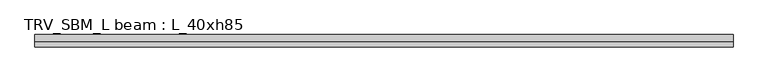
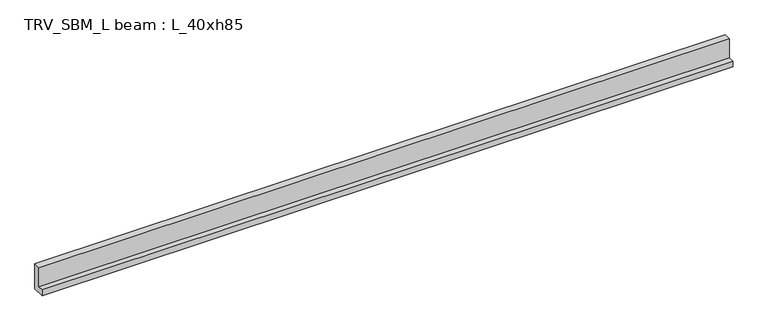
"""IFC4 building model written with IfcOpenShell, lengths in millimetres: beam geometry, TRV_SBM_L beam : L_40xh85."""

from ifc_helpers import new_model, si_unit, frame, origin, place, context, project, spatial, polyline, outline, extrude, source, transform, mapped, element, save


def trv_sbm_l_beam_l_40xh85_ec792a65(model_context):
    return source(origin(), model_context, "Body", "SweptSolid", [
        extrude(outline(polyline([(115.0, -100.0), (-285.0, -100.0), (-285.0, 100.0), (-105.0, 100.0), (-105.0, 750.0), (115.0, 750.0), (115.0, -100.0)])), frame((-11141.0, 0.0, 0.0), z_axis=(1.0, 0.0, 0.0), x_axis=(0.0, 1.0, 0.0)), (0.0, 0.0, 1.0), 22284.3535942),
    ])


if __name__ == "__main__":
    model = new_model("IFC4")
    model_context = context("Model", 3, world=origin())
    ifc_project = project(units=[si_unit("LENGTHUNIT", "METRE", prefix="MILLI")], contexts=[model_context])
    site = spatial("IfcSite", under=ifc_project)
    building = spatial("IfcBuilding", under=site)
    placement = place(None, origin())
    trv_sbm_l_beam_l_40xh85_shape = trv_sbm_l_beam_l_40xh85_ec792a65(model_context)
    element("IfcBeam", 1, ObjectType="TRV_SBM_L beam : L_40xh85", at=placement, inside=building, context=model_context, shape_type="MappedRepresentation", body=[
        mapped(trv_sbm_l_beam_l_40xh85_shape, transform((0.0, 0.0, 0.0), x_axis=(1.0, 0.0, 0.0), y_axis=(0.0, 1.0, 0.0), z_axis=(0.0, 0.0, 1.0))),
    ])
    save(model, "model.ifc")
